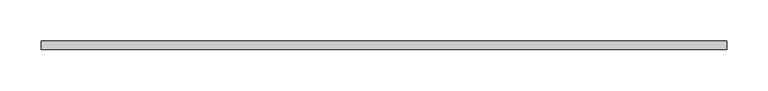
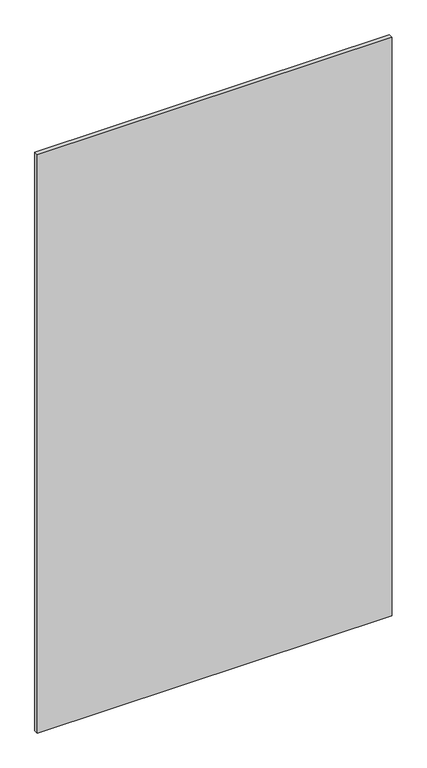
"""IFC4 building model written with IfcOpenShell, lengths in millimetres: plate geometry."""

from ifc_helpers import new_model, si_unit, origin, origin_with_axes, place, context, project, spatial, polyline, outline, extrude, source, transform, mapped, element, save


def plate_582e668a(model_context):
    return source(origin(), model_context, "Body", "SweptSolid", [
        extrude(outline(polyline([(415.0, -5.0), (-415.0, -5.0), (-415.0, 5.0), (415.0, 5.0), (415.0, -5.0)])), origin_with_axes(), (0.0, 0.0, 1.0), 1430.0),
    ])


if __name__ == "__main__":
    model = new_model("IFC4")
    model_context = context("Model", 3, world=origin())
    ifc_project = project(units=[si_unit("LENGTHUNIT", "METRE", prefix="MILLI")], contexts=[model_context])
    site = spatial("IfcSite", under=ifc_project)
    building = spatial("IfcBuilding", under=site)
    placement = place(None, origin())
    plate_shape = plate_582e668a(model_context)
    element("IfcPlate", 1, at=placement, inside=building, context=model_context, shape_type="MappedRepresentation", body=[
        mapped(plate_shape, transform((0.0, 0.0, 0.0), x_axis=(1.0, 0.0, 0.0), y_axis=(0.0, 1.0, 0.0), z_axis=(0.0, 0.0, 1.0))),
    ])
    save(model, "model.ifc")
